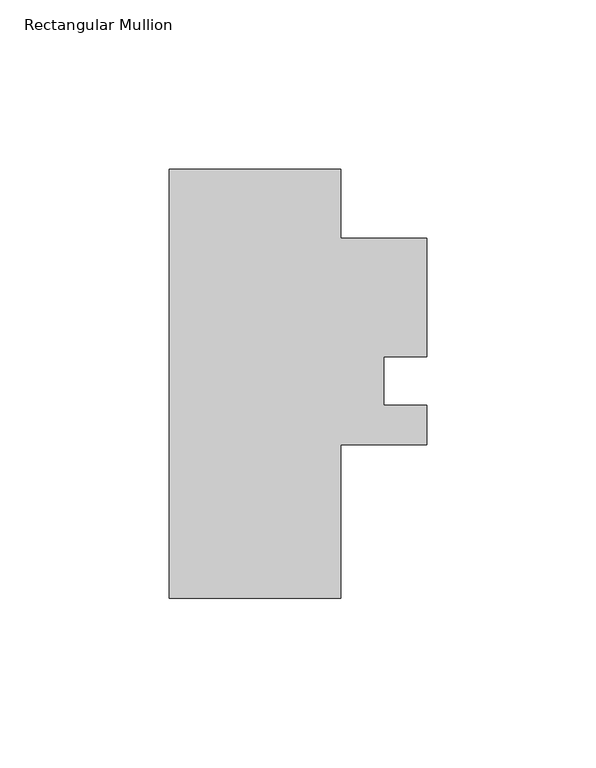
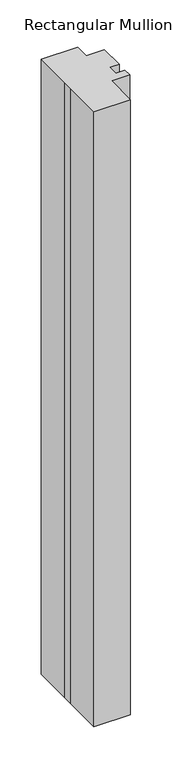
"""IFC4 building model written with IfcOpenShell, lengths in millimetres: member geometry, Rectangular Mullion."""

from ifc_helpers import new_model, si_unit, frame, origin, place, context, project, spatial, polyline, outline, extrude, source, transform, mapped, element, save


def rectangular_mullion_afcb6cf0(model_context):
    return source(origin(), model_context, "Body", "SweptSolid", [
        extrude(outline(polyline([(29.7344027, 62.70625), (29.7344027, 42.2598614), (55.1344027, 42.2598614), (55.1344027, 7.14375), (42.4344027, 7.14375), (42.4344027, -7.14375), (55.1344027, -7.14375), (55.1344027, -18.7722998), (29.7344027, -18.7722998), (29.7344027, -64.29375), (-21.0655973, -64.29375), (-21.0655973, -7.14375), (-21.0655973, 7.14375), (-21.0655973, 62.70625), (29.7344027, 62.70625)])), frame((0.0, 0.0, -906.8905973), z_axis=(0.0, 0.0, 1.0), x_axis=(1.0, 0.0, 0.0)), (0.0, 0.0, 1.0), 906.8905973),
    ])


if __name__ == "__main__":
    model = new_model("IFC4")
    model_context = context("Model", 3, world=origin())
    ifc_project = project(units=[si_unit("LENGTHUNIT", "METRE", prefix="MILLI")], contexts=[model_context])
    site = spatial("IfcSite", under=ifc_project)
    building = spatial("IfcBuilding", under=site)
    placement = place(None, origin())
    rectangular_mullion_shape = rectangular_mullion_afcb6cf0(model_context)
    element("IfcMember", 1, ObjectType="Rectangular Mullion", at=placement, inside=building, context=model_context, shape_type="MappedRepresentation", body=[
        mapped(rectangular_mullion_shape, transform((0.0, 0.0, 0.0), x_axis=(1.0, 0.0, 0.0), y_axis=(0.0, 1.0, 0.0), z_axis=(0.0, 0.0, 1.0))),
    ])
    save(model, "model.ifc")
